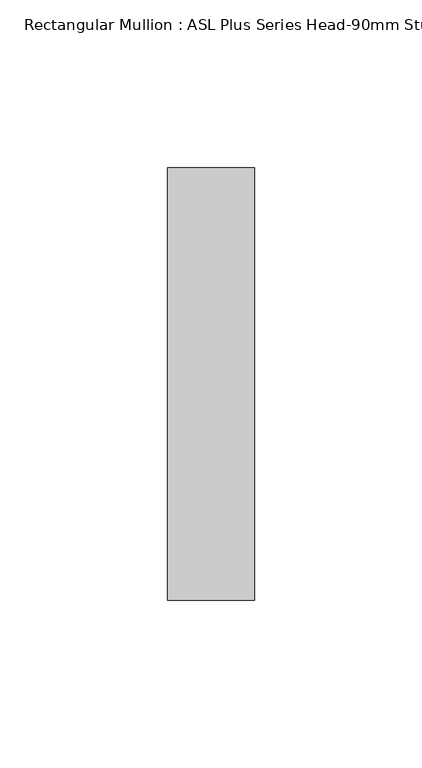
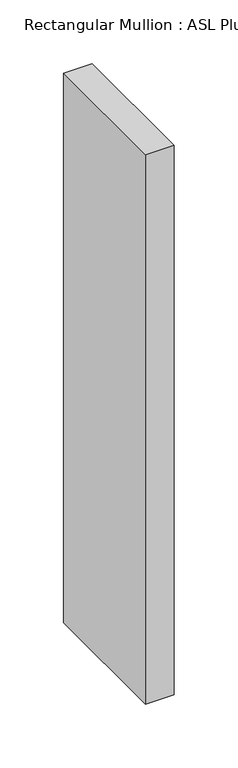
"""IFC4 building model written with IfcOpenShell, lengths in millimetres: member geometry, Rectangular Mullion : ASL Plus Series Head-90mm Stud."""

from ifc_helpers import new_model, si_unit, frame, origin, place, context, project, spatial, polyline, outline, extrude, source, transform, mapped, element, save


def rectangular_mullion_asl_plus_series_head_90mm_stud_1520a70a(model_context):
    return source(origin(), model_context, "Body", "SweptSolid", [
        extrude(outline(polyline([(0.0, 64.5), (0.0, -64.5), (-26.0, -64.5), (-26.0, 64.5), (0.0, 64.5)])), frame((0.0, 0.0, -527.0), z_axis=(0.0, 0.0, 1.0), x_axis=(1.0, 0.0, 0.0)), (0.0, 0.0, 1.0), 527.0),
    ])


if __name__ == "__main__":
    model = new_model("IFC4")
    model_context = context("Model", 3, world=origin())
    ifc_project = project(units=[si_unit("LENGTHUNIT", "METRE", prefix="MILLI")], contexts=[model_context])
    site = spatial("IfcSite", under=ifc_project)
    building = spatial("IfcBuilding", under=site)
    placement = place(None, origin())
    rectangular_mullion_asl_plus_series_head_90mm_stud_shape = rectangular_mullion_asl_plus_series_head_90mm_stud_1520a70a(model_context)
    element("IfcMember", 1, ObjectType="Rectangular Mullion : ASL Plus Series Head-90mm Stud", at=placement, inside=building, context=model_context, shape_type="MappedRepresentation", body=[
        mapped(rectangular_mullion_asl_plus_series_head_90mm_stud_shape, transform((0.0, 0.0, 0.0), x_axis=(1.0, 0.0, 0.0), y_axis=(0.0, 1.0, 0.0), z_axis=(0.0, 0.0, 1.0))),
    ])
    save(model, "model.ifc")
